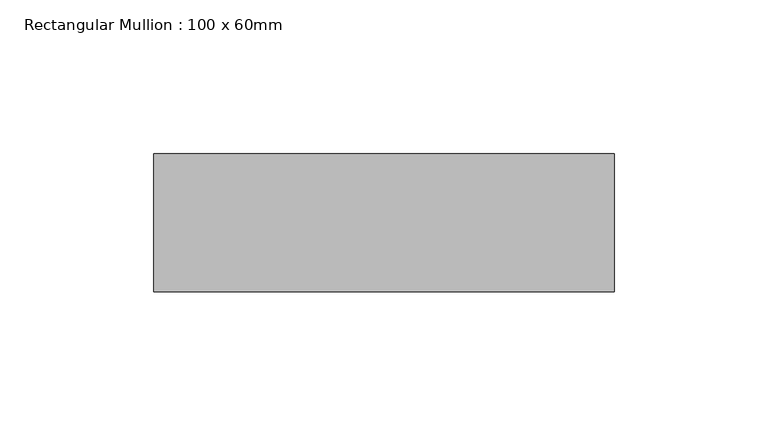
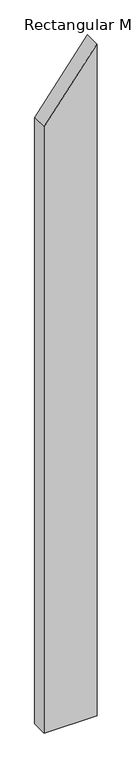
"""IFC4 building model written with IfcOpenShell, lengths in millimetres: member geometry, Rectangular Mullion : 100 x 60mm."""

from ifc_helpers import new_model, si_unit, frame, origin, place, context, project, spatial, polyline, outline, extrude, source, transform, mapped, element, save


def rectangular_mullion_100_x_60mm_bbc82e6b(model_context):
    return source(origin(), model_context, "Body", "SweptSolid", [
        extrude(outline(polyline([(-31.6676196, 75.0), (-227.1514255, -75.0), (-2040.6815165, -75.0), (-2040.6815165, 75.0), (-31.6676196, 75.0)])), frame((0.0, -15.0, 0.0), z_axis=(0.0, 1.0, 0.0), x_axis=(0.0, 0.0, 1.0)), (0.0, 0.0, 1.0), 45.0),
    ])


if __name__ == "__main__":
    model = new_model("IFC4")
    model_context = context("Model", 3, world=origin())
    ifc_project = project(units=[si_unit("LENGTHUNIT", "METRE", prefix="MILLI")], contexts=[model_context])
    site = spatial("IfcSite", under=ifc_project)
    building = spatial("IfcBuilding", under=site)
    placement = place(None, origin())
    rectangular_mullion_100_x_60mm_shape = rectangular_mullion_100_x_60mm_bbc82e6b(model_context)
    element("IfcMember", 1, ObjectType="Rectangular Mullion : 100 x 60mm", at=placement, inside=building, context=model_context, shape_type="MappedRepresentation", body=[
        mapped(rectangular_mullion_100_x_60mm_shape, transform((0.0, 0.0, 0.0), x_axis=(1.0, 0.0, 0.0), y_axis=(0.0, 1.0, 0.0), z_axis=(0.0, 0.0, 1.0))),
    ])
    save(model, "model.ifc")
